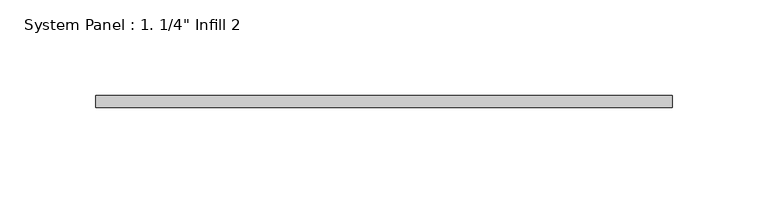
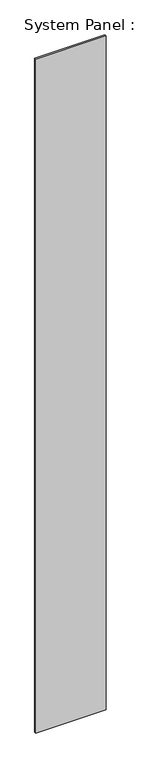
"""IFC4 building model written with IfcOpenShell, lengths in millimetres: plate geometry."""

from ifc_helpers import new_model, si_unit, origin, origin_with_axes, place, context, project, spatial, polyline, outline, extrude, source, transform, mapped, element, save


def plate_cda6586f(model_context):
    return source(origin(), model_context, "Body", "SweptSolid", [
        extrude(outline(polyline([(150.8382425, -6.35), (-150.8382425, -6.35), (-150.8382425, 0.0), (150.8382425, 0.0), (150.8382425, -6.35)])), origin_with_axes(), (0.0, 0.0, 1.0), 3048.0),
    ])


if __name__ == "__main__":
    model = new_model("IFC4")
    model_context = context("Model", 3, world=origin())
    ifc_project = project(units=[si_unit("LENGTHUNIT", "METRE", prefix="MILLI")], contexts=[model_context])
    site = spatial("IfcSite", under=ifc_project)
    building = spatial("IfcBuilding", under=site)
    placement = place(None, origin())
    plate_shape = plate_cda6586f(model_context)
    element("IfcPlate", 1, ObjectType="System Panel : 1. 1/4\" Infill 2", at=placement, inside=building, context=model_context, shape_type="MappedRepresentation", body=[
        mapped(plate_shape, transform((0.0, 0.0, 0.0), x_axis=(1.0, 0.0, 0.0), y_axis=(0.0, 1.0, 0.0), z_axis=(0.0, 0.0, 1.0))),
    ])
    save(model, "model.ifc")
